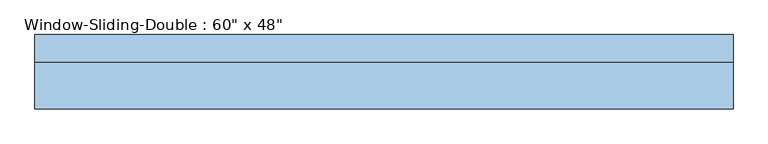
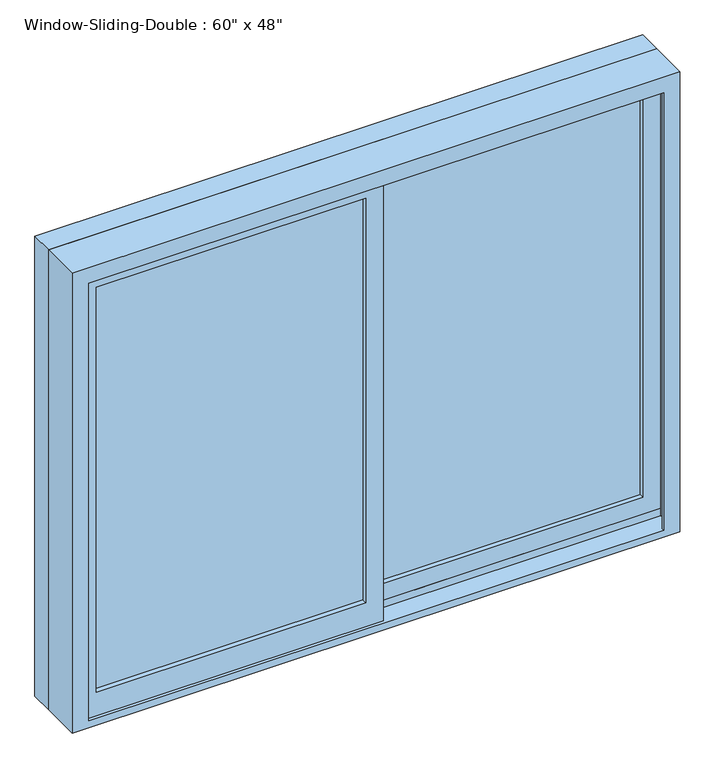
"""IFC4 building model written with IfcOpenShell, lengths in millimetres: window geometry."""

from ifc_helpers import new_model, si_unit, frame, origin, place, context, project, spatial, polyline, outline, extrude, faceted_brep, source, transform, mapped, element, save


def window_e58a8cb5(model_context):
    return source(origin(), model_context, "Body", "SolidModel", [
        faceted_brep([(-762.0, 14.9225, 914.4), (762.0, 14.9225, 914.4), (762.0, -86.6775, 914.4), (-762.0, -86.6775, 914.4), (-721.0778905, -86.6775, 2092.6778905), (-721.0778905, -86.6775, 933.45), (-721.0778905, -80.3275, 933.45), (-721.0778905, -80.3275, 2092.6778905), (-742.95, -80.3275, 933.45), (-742.95, -80.3275, 2114.55), (742.95, -80.3275, 2114.55), (742.95, -80.3275, 933.45), (721.0778905, -80.3275, 933.45), (721.0778905, -80.3275, 2092.6778905), (-742.95, -35.8775, 933.45), (-742.95, -35.8775, 952.5), (-742.95, 8.5725, 952.5), (-742.95, 8.5725, 933.45), (-742.95, 14.9225, 933.45), (-742.95, 14.9225, 2114.55), (-762.0, 14.9225, 2133.6), (762.0, 14.9225, 2133.6), (742.95, 14.9225, 2114.55), (742.95, 14.9225, 933.45), (-762.0, -86.6775, 2133.6), (762.0, -86.6775, 2133.6), (721.0778905, -86.6775, 2092.6778905), (721.0778905, -86.6775, 933.45), (742.95, 8.5725, 933.45), (742.95, 8.5725, 952.5), (742.95, -35.8775, 952.5), (742.95, -35.8775, 933.45)], [[[0, 1, 2, 3]], [[4, 5, 6, 7]], [[7, 6, 8, 9, 10, 11, 12, 13]], [[9, 8, 14, 15, 16, 17, 18, 19]], [[0, 20, 21, 1], [22, 19, 18, 23]], [[24, 20, 0, 3]], [[2, 25, 24, 3], [4, 26, 27, 5]], [[7, 13, 26, 4]], [[9, 19, 22, 10]], [[20, 24, 25, 21]], [[13, 12, 27, 26]], [[22, 23, 28, 29, 30, 31, 11, 10]], [[21, 25, 2, 1]], [[27, 12, 11, 31, 14, 8, 6, 5]], [[31, 30, 15, 14]], [[30, 29, 16, 15]], [[29, 28, 17, 16]], [[18, 17, 28, 23]]]),
        extrude(outline(polyline([(2133.6, 762.0), (2133.6, -762.0), (914.4, -762.0), (914.4, 762.0), (2133.6, 762.0)]), holes=[polyline([(2114.55, -742.95), (2114.55, 742.95), (933.45, 742.95), (933.45, -742.95), (2114.55, -742.95)])]), frame((0.0, 14.9225, 0.0), z_axis=(0.0, 1.0, 0.0), x_axis=(0.0, 0.0, 1.0)), (0.0, 0.0, 1.0), 60.325),
        extrude(outline(polyline([(698.5, -23.1775), (22.225, -23.1775), (22.225, -16.8275), (698.5, -16.8275), (698.5, -23.1775)])), frame((0.0, 0.0, 996.95), z_axis=(0.0, 0.0, 1.0), x_axis=(1.0, 0.0, 0.0)), (0.0, 0.0, 1.0), 1073.15),
        extrude(outline(polyline([(698.5, -10.4775), (22.225, -10.4775), (22.225, -4.1275), (698.5, -4.1275), (698.5, -10.4775)])), frame((0.0, 0.0, 996.95), z_axis=(0.0, 0.0, 1.0), x_axis=(1.0, 0.0, 0.0)), (0.0, 0.0, 1.0), 1073.15),
        extrude(outline(polyline([(-22.225, -67.6275), (-698.5, -67.6275), (-698.5, -61.2775), (-22.225, -61.2775), (-22.225, -67.6275)])), frame((0.0, 0.0, 996.95), z_axis=(0.0, 0.0, 1.0), x_axis=(1.0, 0.0, 0.0)), (0.0, 0.0, 1.0), 1073.15),
        extrude(outline(polyline([(-22.225, -54.9275), (-698.5, -54.9275), (-698.5, -48.5775), (-22.225, -48.5775), (-22.225, -54.9275)])), frame((0.0, 0.0, 996.95), z_axis=(0.0, 0.0, 1.0), x_axis=(1.0, 0.0, 0.0)), (0.0, 0.0, 1.0), 1073.15),
        extrude(outline(polyline([(933.45, 22.225), (2114.55, 22.225), (2114.55, -742.95), (933.45, -742.95), (933.45, 22.225)]), holes=[polyline([(2070.1, -698.5), (2070.1, -22.225), (996.95, -22.225), (996.95, -698.5), (2070.1, -698.5)])]), frame((0.0, -80.3275, 0.0), z_axis=(0.0, 1.0, 0.0), x_axis=(0.0, 0.0, 1.0)), (0.0, 0.0, 1.0), 44.45),
        extrude(outline(polyline([(952.5, -22.225), (952.5, 742.95), (2114.55, 742.95), (2114.55, -22.225), (952.5, -22.225)]), holes=[polyline([(996.95, 698.5), (996.95, 22.225), (2070.1, 22.225), (2070.1, 698.5), (996.95, 698.5)])]), frame((0.0, -35.8775, 0.0), z_axis=(0.0, 1.0, 0.0), x_axis=(0.0, 0.0, 1.0)), (0.0, 0.0, 1.0), 44.45),
    ])


if __name__ == "__main__":
    model = new_model("IFC4")
    model_context = context("Model", 3, world=origin())
    ifc_project = project(units=[si_unit("LENGTHUNIT", "METRE", prefix="MILLI")], contexts=[model_context])
    site = spatial("IfcSite", under=ifc_project)
    building = spatial("IfcBuilding", under=site)
    placement = place(None, origin())
    window_shape = window_e58a8cb5(model_context)
    element("IfcWindow", 1, ObjectType="Window-Sliding-Double : 60\" x 48\"", at=placement, inside=building, context=model_context, shape_type="MappedRepresentation", body=[
        mapped(window_shape, transform((0.0, 0.0, 0.0), x_axis=(1.0, 0.0, 0.0), y_axis=(0.0, 1.0, 0.0), z_axis=(0.0, 0.0, 1.0))),
    ])
    save(model, "model.ifc")
